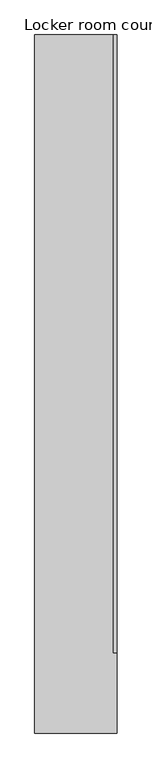
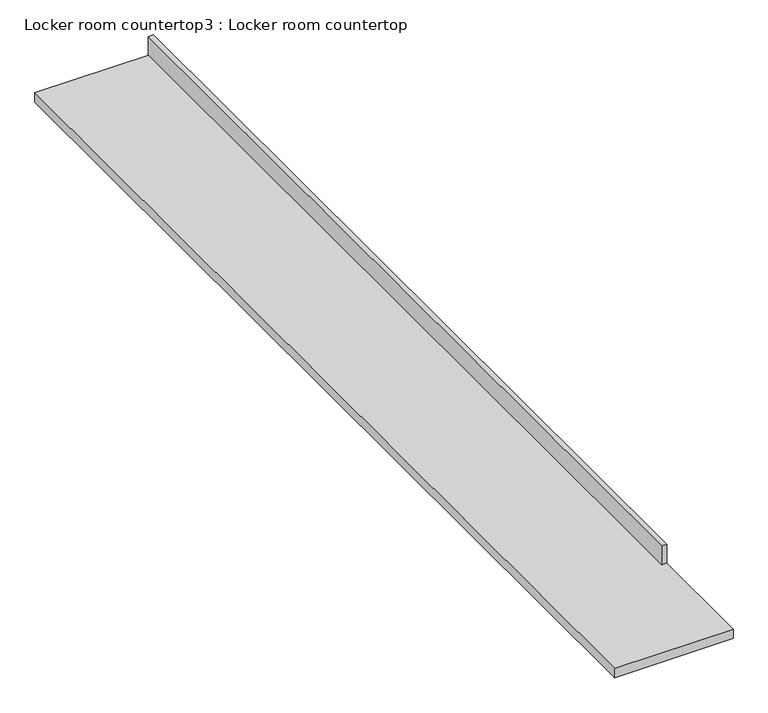
"""IFC4 building model written with IfcOpenShell, lengths in millimetres: furniture geometry, Locker room countertop3 : Locker room countertop."""

from ifc_helpers import new_model, si_unit, frame, origin, place, context, project, spatial, polyline, outline, extrude, source, transform, mapped, element, save


def locker_room_countertop3_locker_room_countertop_1f393196(model_context):
    return source(origin(), model_context, "Body", "SweptSolid", [
        extrude(outline(polyline([(86263.640984, -17398.0301669), (86289.040984, -17398.0301669), (86289.040984, -21976.3801669), (86263.640984, -21976.3801669), (86263.640984, -17398.0301669)])), frame((0.0, 0.0, 914.4), z_axis=(0.0, 0.0, 1.0), x_axis=(1.0, 0.0, 0.0)), (0.0, 0.0, 1.0), 101.6),
        extrude(outline(polyline([(85679.440984, -17398.0301669), (86289.040984, -17398.0301669), (86289.040984, -22570.1051669), (85679.440984, -22570.1051669), (85679.440984, -17398.0301669)])), frame((0.0, 0.0, 863.6), z_axis=(0.0, 0.0, 1.0), x_axis=(1.0, 0.0, 0.0)), (0.0, 0.0, 1.0), 50.8),
    ])


if __name__ == "__main__":
    model = new_model("IFC4")
    model_context = context("Model", 3, world=origin())
    ifc_project = project(units=[si_unit("LENGTHUNIT", "METRE", prefix="MILLI")], contexts=[model_context])
    site = spatial("IfcSite", under=ifc_project)
    building = spatial("IfcBuilding", under=site)
    placement = place(None, origin())
    locker_room_countertop3_locker_room_countertop_shape = locker_room_countertop3_locker_room_countertop_1f393196(model_context)
    element("IfcFurniture", 1, ObjectType="Locker room countertop3 : Locker room countertop", at=placement, inside=building, context=model_context, shape_type="MappedRepresentation", body=[
        mapped(locker_room_countertop3_locker_room_countertop_shape, transform((0.0, 0.0, 0.0), x_axis=(1.0, 0.0, 0.0), y_axis=(0.0, 1.0, 0.0), z_axis=(0.0, 0.0, 1.0))),
    ])
    save(model, "model.ifc")
